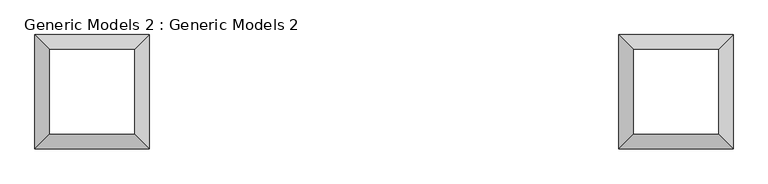
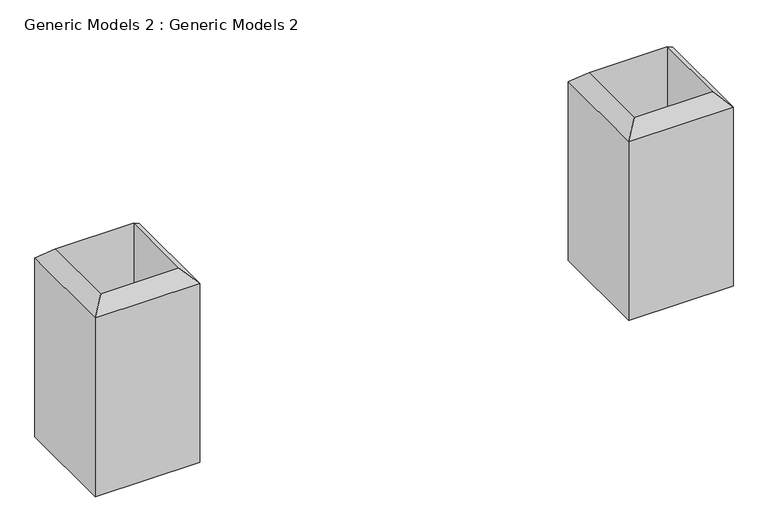
"""IFC4 building model written with IfcOpenShell, lengths in millimetres: proxy geometry, Generic Models 2 : Generic Models 2."""

import ifcopenshell
import ifcopenshell.guid

model = None  # the IFC model being written
_history = None  # IfcOwnerHistory: only IFC2X3 demands one
_inside = {}  # id of a spatial element -> (the spatial element, [elements in it])
_under = {}  # id of a project, library or spatial element -> (it, [spatial elements below it])
_declared = {}  # id of a project -> (the project, [libraries it declares])
_typed = {}  # id of a type object -> (the type object, [elements of that type])
_made_of = {}  # id of a material, layer set ... -> (it, [elements and type objects made of it])


def new_model(schema):
    """Start an empty IFC model of exactly this schema.

    Asked for "IFC4X3", IfcOpenShell would pick the latest addendum, in which some entities
    have other attributes; the version numbers below select the first issue.
    IFC2X3 requires an IfcOwnerHistory on every rooted entity: one is made here for all.
    """
    global model, _history
    if schema == "IFC4X3":
        model = ifcopenshell.file(schema_version=(4, 3, 0, 0))
    else:
        model = ifcopenshell.file(schema=schema)
    _inside.clear()
    _under.clear()
    _declared.clear()
    _typed.clear()
    _made_of.clear()
    _history = None
    if model.schema == "IFC2X3":
        org = make("IfcOrganization", Name="unknown")
        user = make(
            "IfcPersonAndOrganization",
            ThePerson=make("IfcPerson", FamilyName="unknown"),
            TheOrganization=org,
        )
        app = make(
            "IfcApplication",
            ApplicationDeveloper=org,
            Version="unknown",
            ApplicationFullName="unknown",
            ApplicationIdentifier="unknown",
        )
        _history = make(
            "IfcOwnerHistory",
            OwningUser=user,
            OwningApplication=app,
            ChangeAction="ADDED",
            CreationDate=0,
        )
    return model


def make(cls, **values):
    """One entity of the class cls with the attributes given. An attribute that is None is left unset."""
    return model.create_entity(
        cls, **{name: value for name, value in values.items() if value is not None}
    )


def rooted(cls, **values):
    """An entity with a GlobalId (a new one), such as an element, a storey or a relation."""
    return make(cls, GlobalId=ifcopenshell.guid.new(), OwnerHistory=_history, **values)


def si_unit(unit_type, name, prefix=None):
    """IfcSIUnit, for example si_unit("LENGTHUNIT", "METRE", prefix="MILLI")."""
    return make("IfcSIUnit", UnitType=unit_type, Prefix=prefix, Name=name)


def assignment(units):
    """IfcUnitAssignment: the units of a project."""
    return None if units is None else make("IfcUnitAssignment", Units=units)


def point(xyz):
    """IfcCartesianPoint."""
    return None if xyz is None else make("IfcCartesianPoint", Coordinates=xyz)


def direction(xyz):
    """IfcDirection."""
    return None if xyz is None else make("IfcDirection", DirectionRatios=xyz)


def frame(location, z_axis=None, x_axis=None):
    """IfcAxis2Placement3D, a coordinate frame: its origin and axes. An axis left out is left unset."""
    return make(
        "IfcAxis2Placement3D",
        Location=point(location),
        Axis=direction(z_axis),
        RefDirection=direction(x_axis),
    )


def origin():
    """The frame at (0, 0, 0) with its axes left unset."""
    return frame((0.0, 0.0, 0.0))


def place(relative_to, where):
    """IfcLocalPlacement: puts the frame where relative to a parent placement (None: the world)."""
    return make(
        "IfcLocalPlacement", PlacementRelTo=relative_to, RelativePlacement=where
    )


def context(
    kind, dimensions, precision=None, world=None, true_north=None, identifier=None
):
    """IfcGeometricRepresentationContext, for example the 3D "Model" context."""
    return make(
        "IfcGeometricRepresentationContext",
        ContextIdentifier=identifier,
        ContextType=kind,
        CoordinateSpaceDimension=dimensions,
        Precision=precision,
        WorldCoordinateSystem=world,
        TrueNorth=true_north,
    )


def project(units=None, contexts=None):
    """IfcProject with its units and contexts."""
    return rooted(
        "IfcProject",
        Name="project",
        RepresentationContexts=contexts,
        UnitsInContext=assignment(units),
    )


def spatial(cls, under=None, at=None, **own):
    """A site, building, storey or space (cls), placed at a placement, below another one or the project."""
    s = rooted(cls, ObjectPlacement=at, **own)
    if under is not None:
        _under.setdefault(under.id(), (under, []))[1].append(s)
    return s


def faces_of(points, faces, orient=None, outer=None):
    """IfcFace entities. A face is a list of loops; a loop is a list of indices into points, from 0.

    orient and outer hold one flag for each loop. By default every Orientation is true, the
    first loop of a face is its IfcFaceOuterBound and the others are IfcFaceBound.
    """
    made = []
    for i, loops in enumerate(faces):
        bounds = []
        for j, loop in enumerate(loops):
            is_outer = j == 0 if outer is None else outer[i][j]
            bounds.append(
                make(
                    "IfcFaceOuterBound" if is_outer else "IfcFaceBound",
                    Bound=make("IfcPolyLoop", Polygon=[points[k] for k in loop]),
                    Orientation=True if orient is None else orient[i][j],
                )
            )
        made.append(make("IfcFace", Bounds=bounds))
    return made


def faceted_brep(points, faces, orient=None, outer=None, voids=None):
    """IfcFacetedBrep: a solid bounded by flat faces; with voids (closed shells), ...WithVoids."""
    shared = [point(p) for p in points]
    hull = make("IfcClosedShell", CfsFaces=faces_of(shared, faces, orient, outer))
    if voids is None:
        return make("IfcFacetedBrep", Outer=hull)
    return make(
        "IfcFacetedBrepWithVoids",
        Outer=hull,
        Voids=[
            make(cls, CfsFaces=faces_of(shared, fs, o, b)) for cls, fs, o, b in voids
        ],
    )


def shape(context_of_items, identifier, shape_type, items):
    """IfcShapeRepresentation: the items that make up one representation, for example the "Body"."""
    return make(
        "IfcShapeRepresentation",
        ContextOfItems=context_of_items,
        RepresentationIdentifier=identifier,
        RepresentationType=shape_type,
        Items=items,
    )


def source(mapping_origin, context_of_items, identifier, shape_type, items):
    """IfcRepresentationMap: a shape defined once, which mapped items show again and again."""
    return make(
        "IfcRepresentationMap",
        MappingOrigin=mapping_origin,
        MappedRepresentation=shape(context_of_items, identifier, shape_type, items),
    )


def transform(
    local_origin,
    x_axis=None,
    y_axis=None,
    z_axis=None,
    scale=None,
    scale2=None,
    scale3=None,
    uniform=True,
):
    """IfcCartesianTransformationOperator3D, or its non-uniform kind. x_axis, y_axis, z_axis: its Axis1, 2, 3."""
    if uniform:
        return make(
            "IfcCartesianTransformationOperator3D",
            Axis1=direction(x_axis),
            Axis2=direction(y_axis),
            LocalOrigin=point(local_origin),
            Scale=scale,
            Axis3=direction(z_axis),
        )
    return make(
        "IfcCartesianTransformationOperator3DnonUniform",
        Axis1=direction(x_axis),
        Axis2=direction(y_axis),
        LocalOrigin=point(local_origin),
        Scale=scale,
        Axis3=direction(z_axis),
        Scale2=scale2,
        Scale3=scale3,
    )


def mapped(mapping_source, mapping_target):
    """IfcMappedItem: shows the shape of a source again, moved by a transform."""
    return make(
        "IfcMappedItem", MappingSource=mapping_source, MappingTarget=mapping_target
    )


def made_of(thing, what):
    """Note that an element or type object is made of a material, layer set ...; save() writes the relation."""
    if what is not None:
        _made_of.setdefault(what.id(), (what, []))[1].append(thing)
    return thing


def element(
    cls,
    number,
    at=None,
    inside=None,
    cuts=None,
    type_object=None,
    material=None,
    context=None,
    identifier="Body",
    shape_type=None,
    held_by="IfcProductDefinitionShape",
    body=None,
    shapes=None,
    **own,
):
    """One element of the class cls, such as IfcWall. Its Tag is "e" and its number.

    at: its placement. inside: the storey or other place that contains it. cuts: it is an
    opening in that element (IfcRelVoidsElement). A single representation is given by context,
    identifier, shape_type and body (its items); several are given by shapes. held_by: the class
    of the entity that holds the representations. save() writes the other relations.
    """
    e = rooted(cls, Tag="e%d" % number, ObjectPlacement=at, **own)
    if body is not None:
        shapes = [shape(context, identifier, shape_type, body)]
    if shapes is not None:
        e.Representation = make(held_by, Representations=shapes)
    if inside is not None:
        _inside.setdefault(inside.id(), (inside, []))[1].append(e)
    if cuts is not None:
        rooted(
            "IfcRelVoidsElement", RelatingBuildingElement=cuts, RelatedOpeningElement=e
        )
    if type_object is not None:
        _typed.setdefault(type_object.id(), (type_object, []))[1].append(e)
    return made_of(e, material)


def aggregate(whole, parts):
    """IfcRelAggregates: a whole, such as a stair, and the parts it consists of."""
    return rooted("IfcRelAggregates", RelatingObject=whole, RelatedObjects=parts)


def save(model, path):
    """Write the relations noted so far, then the file.

    IfcRelAggregates (storeys below a building ...), IfcRelContainedInSpatialStructure (elements
    in a storey), IfcRelDefinesByType, IfcRelAssociatesMaterial and IfcRelDeclares: one each for
    every whole, place, type object, material and project.
    """
    for whole, parts in _under.values():
        aggregate(whole, parts)
    for where, things in _inside.values():
        rooted(
            "IfcRelContainedInSpatialStructure",
            RelatedElements=things,
            RelatingStructure=where,
        )
    for kind, things in _typed.values():
        rooted("IfcRelDefinesByType", RelatedObjects=things, RelatingType=kind)
    for what, things in _made_of.values():
        rooted("IfcRelAssociatesMaterial", RelatedObjects=things, RelatingMaterial=what)
    for by, libraries in _declared.values():
        rooted("IfcRelDeclares", RelatingContext=by, RelatedDefinitions=libraries)
    model.write(path)


def generic_models_2_generic_models_2_da4c3077(model_context):
    return source(origin(), model_context, "Body", "Brep", [
        faceted_brep([(7462.4718692, -27400.3202609, 31953.2), (7360.8718692, -27298.7202609, 32054.8), (6751.2718692, -27298.7202609, 32054.8), (6649.6718692, -27400.3202609, 31953.2), (7462.4718692, -27400.3202609, 30480.0), (6649.6718692, -27400.3202609, 30480.0), (7360.8718692, -27298.7202609, 30480.0), (6751.2718692, -27298.7202609, 30480.0), (6751.2718692, -26689.1202609, 32054.8), (6649.6718692, -26587.5202609, 31953.2), (6649.6718692, -26587.5202609, 30480.0), (6751.2718692, -26689.1202609, 30480.0), (7360.8718692, -26689.1202609, 32054.8), (7462.4718692, -26587.5202609, 31953.2), (7462.4718692, -26587.5202609, 30480.0), (7360.8718692, -26689.1202609, 30480.0)], [[[0, 1, 2, 3]], [[4, 0, 3, 5]], [[1, 6, 7, 2]], [[3, 2, 8, 9]], [[5, 3, 9, 10]], [[2, 7, 11, 8]], [[9, 8, 12, 13]], [[10, 9, 13, 14]], [[8, 11, 15, 12]], [[13, 12, 1, 0]], [[14, 13, 0, 4]], [[5, 10, 14, 4], [6, 15, 11, 7]], [[12, 15, 6, 1]]]),
        faceted_brep([(11616.9593692, -27400.3202609, 31953.2), (11515.3593692, -27298.7202609, 32054.8), (10905.7593692, -27298.7202609, 32054.8), (10804.1593692, -27400.3202609, 31953.2), (11616.9593692, -27400.3202609, 30480.0), (10804.1593692, -27400.3202609, 30480.0), (11515.3593692, -27298.7202609, 30480.0), (10905.7593692, -27298.7202609, 30480.0), (10905.7593692, -26689.1202609, 32054.8), (10804.1593692, -26587.5202609, 31953.2), (10804.1593692, -26587.5202609, 30480.0), (10905.7593692, -26689.1202609, 30480.0), (11515.3593692, -26689.1202609, 32054.8), (11616.9593692, -26587.5202609, 31953.2), (11616.9593692, -26587.5202609, 30480.0), (11515.3593692, -26689.1202609, 30480.0)], [[[0, 1, 2, 3]], [[4, 0, 3, 5]], [[1, 6, 7, 2]], [[3, 2, 8, 9]], [[5, 3, 9, 10]], [[2, 7, 11, 8]], [[9, 8, 12, 13]], [[10, 9, 13, 14]], [[8, 11, 15, 12]], [[13, 12, 1, 0]], [[14, 13, 0, 4]], [[5, 10, 14, 4], [6, 15, 11, 7]], [[12, 15, 6, 1]]]),
    ])


if __name__ == "__main__":
    model = new_model("IFC4")
    model_context = context("Model", 3, world=origin())
    ifc_project = project(units=[si_unit("LENGTHUNIT", "METRE", prefix="MILLI")], contexts=[model_context])
    site = spatial("IfcSite", under=ifc_project)
    building = spatial("IfcBuilding", under=site)
    placement = place(None, origin())
    generic_models_2_generic_models_2_shape = generic_models_2_generic_models_2_da4c3077(model_context)
    element("IfcBuildingElementProxy", 1, Name="Generic Models 2 : Generic Models 2", ObjectType="Generic Models 2 : Generic Models 2", at=placement, inside=building, context=model_context, shape_type="MappedRepresentation", body=[
        mapped(generic_models_2_generic_models_2_shape, transform((0.0, 0.0, 0.0), x_axis=(1.0, 0.0, 0.0), y_axis=(0.0, 1.0, 0.0), z_axis=(0.0, 0.0, 1.0))),
    ])
    save(model, "model.ifc")
